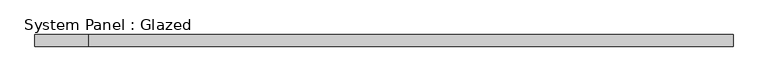
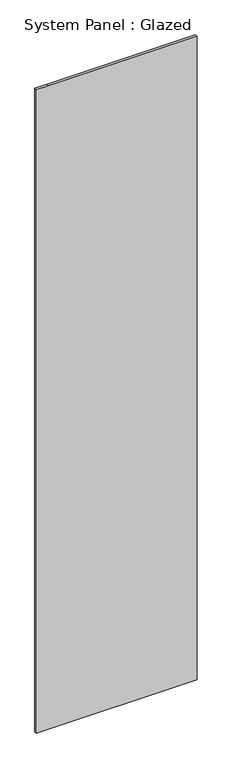
"""IFC4 building model written with IfcOpenShell, lengths in millimetres: plate geometry, System Panel : Glazed."""

from ifc_helpers import new_model, si_unit, frame, origin, place, context, project, spatial, polyline, outline, extrude, source, transform, mapped, element, save


def system_panel_glazed_3afc9161(model_context):
    return source(origin(), model_context, "Body", "SweptSolid", [
        extrude(outline(polyline([(0.0, -750.0), (0.0, 750.0), (6336.5, 750.0), (6336.5, -633.9306482), (6336.5, -750.0), (0.0, -750.0)])), frame((0.0, 19.05, 0.0), z_axis=(0.0, 1.0, 0.0), x_axis=(0.0, 0.0, 1.0)), (0.0, 0.0, 1.0), 25.4),
    ])


if __name__ == "__main__":
    model = new_model("IFC4")
    model_context = context("Model", 3, world=origin())
    ifc_project = project(units=[si_unit("LENGTHUNIT", "METRE", prefix="MILLI")], contexts=[model_context])
    site = spatial("IfcSite", under=ifc_project)
    building = spatial("IfcBuilding", under=site)
    placement = place(None, origin())
    system_panel_glazed_shape = system_panel_glazed_3afc9161(model_context)
    element("IfcPlate", 1, ObjectType="System Panel : Glazed", at=placement, inside=building, context=model_context, shape_type="MappedRepresentation", body=[
        mapped(system_panel_glazed_shape, transform((0.0, 0.0, 0.0), x_axis=(1.0, 0.0, 0.0), y_axis=(0.0, 1.0, 0.0), z_axis=(0.0, 0.0, 1.0))),
    ])
    save(model, "model.ifc")
